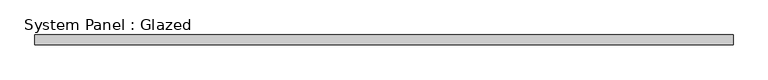
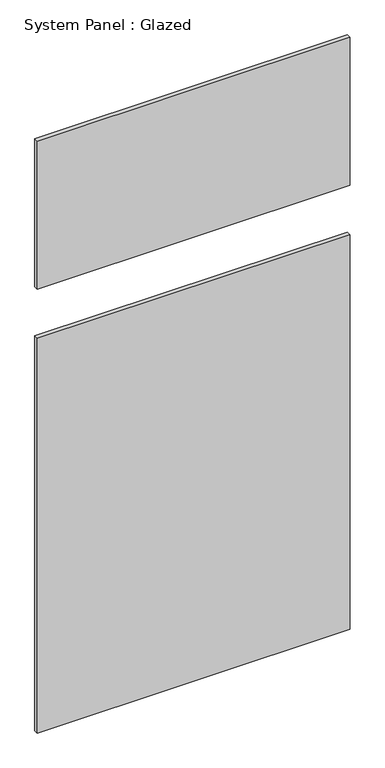
"""IFC4 building model written with IfcOpenShell, lengths in millimetres: plate geometry, System Panel : Glazed."""

from ifc_helpers import new_model, si_unit, frame, origin, origin_with_axes, place, context, project, spatial, polyline, outline, extrude, source, transform, mapped, element, save


def system_panel_glazed_500289fc(model_context):
    return source(origin(), model_context, "Body", "SweptSolid", [
        extrude(outline(polyline([(914.4000002, 19.05), (-914.4000002, 19.05), (-914.4000002, 44.45), (914.4000002, 44.45), (914.4000002, 19.05)])), origin_with_axes(), (0.0, 0.0, 1.0), 2438.4),
        extrude(outline(polyline([(914.4000002, 19.05), (-914.4000002, 19.05), (-914.4000002, 44.45), (914.4000002, 44.45), (914.4000002, 19.05)])), frame((0.0, 0.0, 2743.2), z_axis=(0.0, 0.0, 1.0), x_axis=(1.0, 0.0, 0.0)), (0.0, 0.0, 1.0), 914.4),
    ])


if __name__ == "__main__":
    model = new_model("IFC4")
    model_context = context("Model", 3, world=origin())
    ifc_project = project(units=[si_unit("LENGTHUNIT", "METRE", prefix="MILLI")], contexts=[model_context])
    site = spatial("IfcSite", under=ifc_project)
    building = spatial("IfcBuilding", under=site)
    placement = place(None, origin())
    system_panel_glazed_shape = system_panel_glazed_500289fc(model_context)
    element("IfcPlate", 1, ObjectType="System Panel : Glazed", at=placement, inside=building, context=model_context, shape_type="MappedRepresentation", body=[
        mapped(system_panel_glazed_shape, transform((0.0, 0.0, 0.0), x_axis=(1.0, 0.0, 0.0), y_axis=(0.0, 1.0, 0.0), z_axis=(0.0, 0.0, 1.0))),
    ])
    save(model, "model.ifc")
